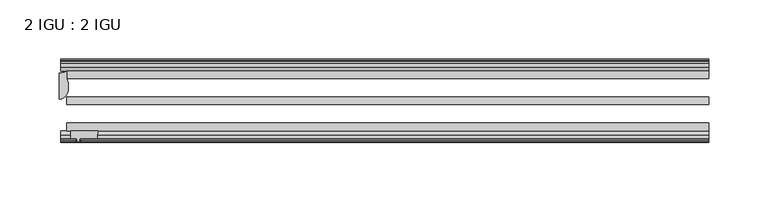
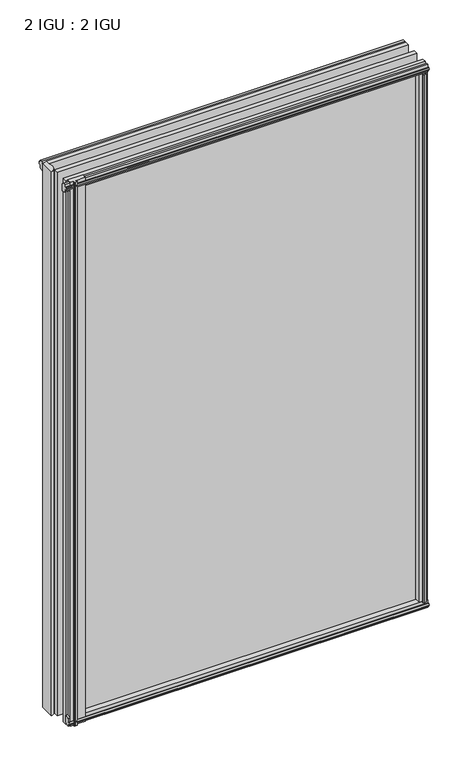
"""IFC4 building model written with IfcOpenShell, lengths in millimetres: plate geometry, 2 IGU : 2 IGU."""

from ifc_helpers import new_model, si_unit, point, frame, frame_2d, origin, origin_with_axes, place, context, project, spatial, polyline, circle_curve, ellipse_curve, trimmed, segment, composite_curve, outline, extrude, source, transform, mapped, element, save
from ifc_brep_helpers import plane_surface, cylinder_surface, revolved_surface, extruded_surface, advanced_brep


def plate_2_igu_2_igu_5a268105(model_context):
    return source(origin(), model_context, "Body", "SolidModel", [
        advanced_brep(
        [(-282.575, -21.2713143, -12.303125), (-276.225, -19.5460937, -12.303125), (-276.225, -25.8960937, -12.303125), (-275.0104224, -33.7460937, -12.303125), (-282.575, -43.2929845, -12.303125), (-282.575, -21.2713143, 850.9), (-282.575, -43.2929845, 850.9), (-275.0104224, -33.7460937, 850.9), (-276.225, -25.8960937, 850.9), (-276.225, -19.5460937, 850.9)],
        [
            (0, 1, circle_curve(frame((-282.575, -8.7225169, -12.303125), z_axis=(0.0, 0.0, 1.0), x_axis=(1.0, 0.0, 0.0)), 12.5487974)),
            (1, 2),
            (2, 3, circle_curve(frame((-300.9855831, -33.7460937, -12.303125), z_axis=(0.0, 0.0, -1.0), x_axis=(1.0, 0.0, 0.0)), 25.9751607)),
            (3, 4, ellipse_curve(frame((-282.575, -33.7460937, -12.303125), z_axis=(0.0, 0.0, -1.0), x_axis=(0.0, 1.0, 0.0)), 9.5468907, 7.5645776)),
            (4, 0),
            (5, 6),
            (6, 7, ellipse_curve(frame((-282.575, -33.7460937, 850.9), z_axis=(0.0, 0.0, 1.0), x_axis=(0.0, 1.0, 0.0)), 9.5468907, 7.5645776)),
            (7, 8, circle_curve(frame((-300.9855831, -33.7460937, 850.9), z_axis=(0.0, 0.0, 1.0), x_axis=(1.0, 0.0, 0.0)), 25.9751607)),
            (8, 9),
            (9, 5, circle_curve(frame((-282.575, -8.7225169, 850.9), z_axis=(0.0, 0.0, -1.0), x_axis=(1.0, 0.0, 0.0)), 12.5487974)),
            (0, 5),
            (9, 1),
            (8, 2),
            (7, 3),
            (6, 4),
        ],
        [
            plane_surface(frame((-282.575, -13.1960937, -12.303125), z_axis=(0.0, 0.0, -1.0), x_axis=(0.0, 1.0, 0.0))),
            plane_surface(frame((-282.575, -13.1960937, 850.9), z_axis=(0.0, 0.0, 1.0), x_axis=(0.0, 1.0, 0.0))),
            revolved_surface(polyline([(-270.0262026, -8.7225169, 850.9), (-270.0262026, -8.7225169, -12.303125)]), (-282.575, -8.7225169, -12.303125), (0.0, 0.0, 1.0)),
            plane_surface(frame((-276.225, -19.5460937, -12.303125), z_axis=(1.0, 0.0, 0.0), x_axis=(0.0, 0.0, 1.0))),
            cylinder_surface(frame((-300.9855831, -33.7460937, -12.303125), z_axis=(0.0, 0.0, -1.0), x_axis=(1.0, 0.0, 0.0)), 25.9751607),
            extruded_surface(trimmed(ellipse_curve(frame((-282.575, -33.7460937, 850.9), z_axis=(0.0, 0.0, -1.0), x_axis=(0.0, 1.0, 0.0)), 9.5468907, 7.5645776), [point((-275.0104224, -33.7460937, 850.9))], [point((-282.575, -43.2929845, 850.9))], True, "CARTESIAN"), (0.0, 0.0, -863.203125), 863.203125),
            plane_surface(frame((-282.575, -43.2929845, -12.303125), z_axis=(-1.0, 0.0, 0.0), x_axis=(0.0, 0.0, 1.0))),
        ],
        [
            (0, [[1, 2, 3, 4, 5]]),
            (1, [[6, 7, 8, 9, 10]]),
            (2, [[-1, 11, -10, 12]]),
            (3, [[-2, -12, -9, 13]]),
            (4, [[-3, -13, -8, 14]]),
            (5, [[-4, -14, -7, 15]]),
            (6, [[-5, -15, -6, -11]]),
        ],
    ),
        extrude(outline(polyline([(255.5181709, -10.4746158), (257.6957, -9.7670937), (259.8732291, -10.4746158), (259.8732291, -11.27583), (258.4577, -10.8158968), (258.8387, -13.1960937), (263.2837, -13.1960937), (263.2837, -16.1424937), (260.4493578, -19.5460937), (249.6279819, -19.5460937), (251.3457, -13.1960937), (256.5527, -13.1960937), (256.9337, -10.8158968), (255.5181709, -11.27583), (255.5181709, -10.4746158)])), origin_with_axes(), (0.0, 0.0, 1.0), 838.2),
        extrude(outline(composite_curve([segment(polyline([(-273.05, -69.9960936), (-249.8412713, -69.9960936)]), True, "CONTINUOUS"), segment(trimmed(circle_curve(frame_2d((-238.4838743, -75.0067563)), 12.4135896), [point((-249.8412713, -69.9960936))], [point((-250.825, -76.3460936))], True, "CARTESIAN"), True, "CONTINUOUS"), segment(polyline([(-250.825, -76.3460936), (-265.43, -76.3460936), (-265.7475, -78.4506955), (-264.5288941, -78.124171), (-264.3251, -78.884741), (-266.7, -79.5210936), (-269.0749, -78.884741), (-268.8711059, -78.124171), (-267.6525, -78.4506955), (-267.97, -76.3460936), (-273.05, -76.3460936), (-273.05, -69.9960936)]), True, "CONTINUOUS")], self_intersect=False)), frame((0.0, 0.0, -12.4587), z_axis=(0.0, 0.0, 1.0), x_axis=(1.0, 0.0, 0.0)), (0.0, 0.0, 1.0), 863.1174),
        extrude(outline(polyline([(-19.5460937, 1.5938931), (-13.1960937, -0.123825), (-13.1960937, -5.330825), (-10.8158968, -5.711825), (-11.27583, -4.2962959), (-10.4746158, -4.2962959), (-9.7670937, -6.473825), (-10.4746158, -8.6513541), (-11.27583, -8.6513541), (-10.8158968, -7.235825), (-13.1960937, -7.616825), (-13.1960937, -12.061825), (-16.1424937, -12.061825), (-19.5460937, -9.2274828), (-19.5460937, 1.5938931)])), frame((-276.225, 0.0, 0.0), z_axis=(1.0, 0.0, 0.0), x_axis=(0.0, 1.0, 0.0)), (0.0, 0.0, 1.0), 539.75),
        extrude(outline(polyline([(-69.9960936, 2.1145931), (-69.9960936, -8.7067828), (-73.3996936, -11.541125), (-76.3460936, -11.541125), (-76.3460936, -7.096125), (-78.7262905, -6.715125), (-78.2663573, -8.1306541), (-79.0675715, -8.1306541), (-79.7750936, -5.953125), (-79.0675715, -3.7755959), (-78.2663573, -3.7755959), (-78.7262905, -5.191125), (-76.3460936, -4.810125), (-76.3460936, 0.396875), (-69.9960936, 2.1145931)])), frame((-276.225, 0.0, 0.0), z_axis=(1.0, 0.0, 0.0), x_axis=(0.0, 1.0, 0.0)), (0.0, 0.0, 1.0), 539.75),
        extrude(outline(polyline([(-10.8158968, 845.8327), (-11.27583, 847.2482291), (-10.4746158, 847.2482291), (-9.7670937, 845.0707), (-10.4746158, 842.8931709), (-11.27583, 842.8931709), (-10.8158968, 844.3087), (-13.1960937, 843.9277), (-13.1960937, 838.7207), (-19.5460937, 837.0029819), (-19.5460937, 847.8243578), (-16.1424937, 850.6587), (-13.1960937, 850.6587), (-13.1960937, 846.2137), (-10.8158968, 845.8327)])), frame((-281.5711059, 0.0, 0.0), z_axis=(1.0, 0.0, 0.0), x_axis=(0.0, 1.0, 0.0)), (0.0, 0.0, 1.0), 545.0961059),
        extrude(outline(polyline([(-76.3460936, 850.138), (-73.3996936, 850.138), (-69.9960936, 847.3036578), (-69.9960936, 836.4822819), (-76.3460936, 838.2), (-76.3460936, 843.407), (-78.7262905, 843.788), (-78.2663573, 842.3724709), (-79.0675715, 842.3724709), (-79.7750936, 844.55), (-79.0675715, 846.7275291), (-78.2663573, 846.7275291), (-78.7262905, 845.312), (-76.3460936, 845.693), (-76.3460936, 850.138)])), frame((-281.5711059, 0.0, 0.0), z_axis=(1.0, 0.0, 0.0), x_axis=(0.0, 1.0, 0.0)), (0.0, 0.0, 1.0), 545.0961059),
        extrude(outline(polyline([(249.1072819, -69.9960936), (259.9286578, -69.9960936), (262.763, -73.3996936), (262.763, -76.3460936), (258.318, -76.3460936), (257.937, -78.7262905), (259.3525291, -78.2663573), (259.3525291, -79.0675715), (257.175, -79.7750936), (254.9974709, -79.0675715), (254.9974709, -78.2663573), (256.413, -78.7262905), (256.032, -76.3460936), (250.825, -76.3460936), (249.1072819, -69.9960936)])), origin_with_axes(), (0.0, 0.0, 1.0), 838.2),
        extrude(outline(polyline([(263.525, -19.5460937), (263.525, -25.8960937), (-276.225, -25.8960937), (-276.225, -19.5460937), (263.525, -19.5460937)])), frame((0.0, 0.0, -12.303125), z_axis=(0.0, 0.0, 1.0), x_axis=(1.0, 0.0, 0.0)), (0.0, 0.0, 1.0), 863.203125),
        extrude(outline(polyline([(-276.225, -41.5960937), (263.525, -41.5960937), (263.525, -47.9460937), (-276.225, -47.9460937), (-276.225, -41.5960937)])), frame((0.0, 0.0, -12.303125), z_axis=(0.0, 0.0, 1.0), x_axis=(1.0, 0.0, 0.0)), (0.0, 0.0, 1.0), 863.203125),
        extrude(outline(polyline([(263.525, -63.6460936), (263.525, -69.9960936), (-276.225, -69.9960936), (-276.225, -63.6460936), (263.525, -63.6460936)])), frame((0.0, 0.0, -12.303125), z_axis=(0.0, 0.0, 1.0), x_axis=(1.0, 0.0, 0.0)), (0.0, 0.0, 1.0), 863.203125),
    ])


if __name__ == "__main__":
    model = new_model("IFC4")
    model_context = context("Model", 3, world=origin())
    ifc_project = project(units=[si_unit("LENGTHUNIT", "METRE", prefix="MILLI")], contexts=[model_context])
    site = spatial("IfcSite", under=ifc_project)
    building = spatial("IfcBuilding", under=site)
    placement = place(None, origin())
    plate_2_igu_2_igu_shape = plate_2_igu_2_igu_5a268105(model_context)
    element("IfcPlate", 1, ObjectType="2 IGU : 2 IGU", at=placement, inside=building, context=model_context, shape_type="MappedRepresentation", body=[
        mapped(plate_2_igu_2_igu_shape, transform((0.0, 0.0, 0.0), x_axis=(1.0, 0.0, 0.0), y_axis=(0.0, 1.0, 0.0), z_axis=(0.0, 0.0, 1.0))),
    ])
    save(model, "model.ifc")
